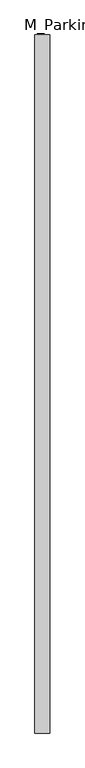
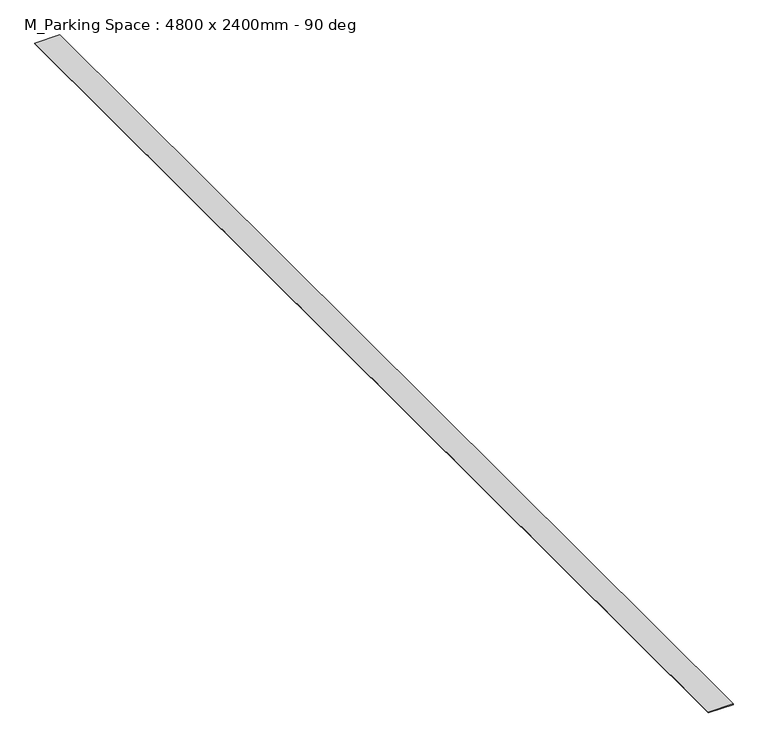
"""IFC4 building model written with IfcOpenShell, lengths in millimetres: proxy geometry, M_Parking Space : 4800 x 2400mm - 90 deg."""

from ifc_helpers import new_model, si_unit, origin, origin_with_axes, place, context, project, spatial, polyline, outline, extrude, source, transform, mapped, element, save


def m_parking_space_4800_x_2400mm_90_deg_cf846cf7(model_context):
    return source(origin(), model_context, "Body", "SweptSolid", [
        extrude(outline(polyline([(-50.8, 0.0), (-50.8, 4800.0), (50.8, 4800.0), (50.8, 0.0), (-50.8, 0.0)])), origin_with_axes(), (0.0, 0.0, 1.0), 3.175),
    ])


if __name__ == "__main__":
    model = new_model("IFC4")
    model_context = context("Model", 3, world=origin())
    ifc_project = project(units=[si_unit("LENGTHUNIT", "METRE", prefix="MILLI")], contexts=[model_context])
    site = spatial("IfcSite", under=ifc_project)
    building = spatial("IfcBuilding", under=site)
    placement = place(None, origin())
    m_parking_space_4800_x_2400mm_90_deg_shape = m_parking_space_4800_x_2400mm_90_deg_cf846cf7(model_context)
    element("IfcBuildingElementProxy", 1, Name="M_Parking Space : 4800 x 2400mm - 90 deg", ObjectType="M_Parking Space : 4800 x 2400mm - 90 deg", at=placement, inside=building, context=model_context, shape_type="MappedRepresentation", body=[
        mapped(m_parking_space_4800_x_2400mm_90_deg_shape, transform((0.0, 0.0, 0.0), x_axis=(1.0, 0.0, 0.0), y_axis=(0.0, 1.0, 0.0), z_axis=(0.0, 0.0, 1.0))),
    ])
    save(model, "model.ifc")
